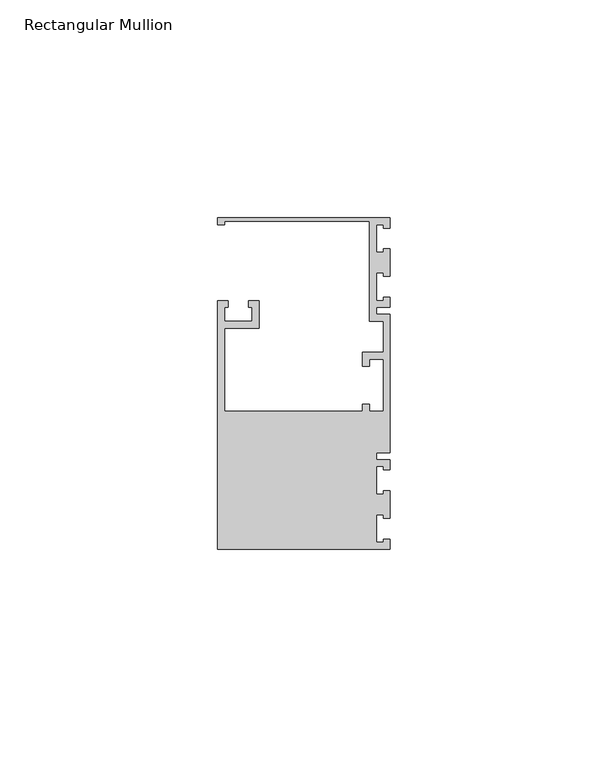
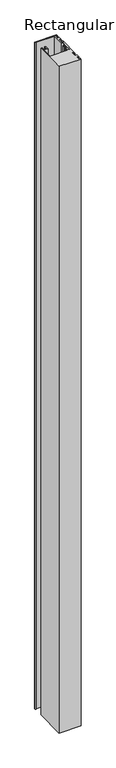
"""IFC4 building model written with IfcOpenShell, lengths in millimetres: member geometry, Rectangular Mullion."""

from ifc_helpers import new_model, si_unit, frame, origin, place, context, project, spatial, polyline, outline, extrude, source, transform, mapped, element, save


def rectangular_mullion_c0d6255d(model_context):
    return source(origin(), model_context, "Body", "SweptSolid", [
        extrude(outline(polyline([(0.0, 38.1), (0.0, 35.71875), (-1.4999946, 35.71875), (-1.4999946, 36.5125), (-3.175, 36.5125), (-3.175, 30.1625), (-1.4999946, 30.1625), (-1.4999946, 30.95625), (0.0, 30.95625), (0.0, 24.60625), (-1.4999946, 24.60625), (-1.4999946, 25.4), (-3.175, 25.4), (-3.175, 19.05), (-1.4999946, 19.05), (-1.4999946, 19.84375), (0.0, 19.84375), (0.0, 17.4625), (-3.175, 17.4625), (-3.175, 15.875), (0.0, 15.875), (0.0, -15.875), (-3.175, -15.875), (-3.175, -17.4625), (0.0, -17.4625), (0.0, -19.84375), (-1.4999946, -19.84375), (-1.4999946, -19.05), (-3.175, -19.05), (-3.175, -25.4), (-1.4999946, -25.4), (-1.4999946, -24.60625), (0.0, -24.60625), (0.0, -30.95625), (-1.4999946, -30.95625), (-1.4999946, -30.1625), (-3.175, -30.1625), (-3.175, -36.5125), (-1.4999946, -36.5125), (-1.4999946, -35.71875), (0.0, -35.71875), (0.0, -38.1), (-39.6875, -38.1), (-39.6875, 19.05), (-37.30625, 19.05), (-37.30625, 17.4625), (-38.1, 17.4625), (-38.1, 14.2875), (-31.75, 14.2875), (-31.75, 17.4625), (-32.54375, 17.4625), (-32.54375, 19.05), (-30.1625, 19.05), (-30.1625, 12.7), (-38.1, 12.7), (-38.1, -6.35), (-6.35, -6.35), (-6.35, -4.7625), (-4.7625, -4.7625), (-4.7625, -6.35), (-1.5875, -6.35), (-1.5875, 5.55625), (-4.7625, 5.55625), (-4.7625, 3.96875), (-6.35, 3.96875), (-6.35, 7.14375), (-1.5875, 7.14375), (-1.5875, 14.2875), (-4.7625, 14.2875), (-4.7625, 37.30625), (-38.1, 37.30625), (-38.1, 36.5125), (-39.6875, 36.5125), (-39.6875, 38.1), (0.0, 38.1)])), frame((0.0, 0.0, -1270.0), z_axis=(0.0, 0.0, 1.0), x_axis=(1.0, 0.0, 0.0)), (0.0, 0.0, 1.0), 1270.0),
    ])


if __name__ == "__main__":
    model = new_model("IFC4")
    model_context = context("Model", 3, world=origin())
    ifc_project = project(units=[si_unit("LENGTHUNIT", "METRE", prefix="MILLI")], contexts=[model_context])
    site = spatial("IfcSite", under=ifc_project)
    building = spatial("IfcBuilding", under=site)
    placement = place(None, origin())
    rectangular_mullion_shape = rectangular_mullion_c0d6255d(model_context)
    element("IfcMember", 1, ObjectType="Rectangular Mullion", at=placement, inside=building, context=model_context, shape_type="MappedRepresentation", body=[
        mapped(rectangular_mullion_shape, transform((0.0, 0.0, 0.0), x_axis=(1.0, 0.0, 0.0), y_axis=(0.0, 1.0, 0.0), z_axis=(0.0, 0.0, 1.0))),
    ])
    save(model, "model.ifc")
